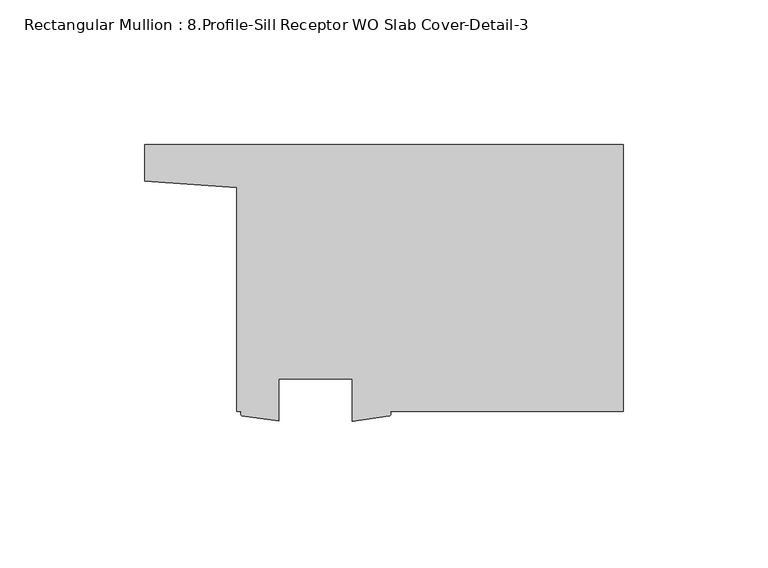
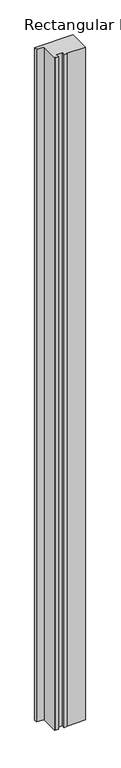
"""IFC4 building model written with IfcOpenShell, lengths in millimetres: member geometry, Rectangular Mullion : 8.Profile-Sill Receptor WO Slab Cover-Detail-3."""

from ifc_helpers import new_model, si_unit, point, frame, frame_2d, origin, place, context, project, spatial, polyline, circle_curve, trimmed, segment, composite_curve, outline, extrude, source, transform, mapped, element, save


def rectangular_mullion_8_profile_sill_receptor_wo_slab_cover_50dafa84(model_context):
    return source(origin(), model_context, "Body", "SweptSolid", [
        extrude(outline(composite_curve([segment(polyline([(0.0, -92.075127), (-80.6733597, -92.075127)]), True, "CONTINUOUS"), segment(trimmed(circle_curve(frame_2d((-81.2259708, -92.9068292)), 0.9985528), [point((-80.6733597, -92.075127))], [point((-80.6733597, -93.7385314))], False, "CARTESIAN"), True, "CONTINUOUS"), segment(polyline([(-80.6733597, -93.7385314), (-93.5154219, -95.6046768), (-93.5154219, -80.962627), (-118.8464125, -80.962627), (-118.8464125, -95.471127), (-131.6177, -93.6610233)]), True, "CONTINUOUS"), segment(trimmed(circle_curve(frame_2d((-131.1443235, -92.8680751)), 0.9234999), [point((-131.6177, -93.6610233))], [point((-131.6177, -92.075127))], False, "CARTESIAN"), True, "CONTINUOUS"), segment(polyline([(-131.6177, -92.075127), (-133.3499375, -92.075127), (-133.3499375, -14.7816271), (-165.1, -12.5822928), (-165.1, 0.0), (0.0, 0.0), (0.0, -92.075127)]), True, "CONTINUOUS")], self_intersect=False)), frame((0.0, 0.0, -3048.0), z_axis=(0.0, 0.0, 1.0), x_axis=(1.0, 0.0, 0.0)), (0.0, 0.0, 1.0), 3048.0),
    ])


if __name__ == "__main__":
    model = new_model("IFC4")
    model_context = context("Model", 3, world=origin())
    ifc_project = project(units=[si_unit("LENGTHUNIT", "METRE", prefix="MILLI")], contexts=[model_context])
    site = spatial("IfcSite", under=ifc_project)
    building = spatial("IfcBuilding", under=site)
    placement = place(None, origin())
    rectangular_mullion_8_profile_sill_receptor_wo_slab_cover_shape = rectangular_mullion_8_profile_sill_receptor_wo_slab_cover_50dafa84(model_context)
    element("IfcMember", 1, ObjectType="Rectangular Mullion : 8.Profile-Sill Receptor WO Slab Cover-Detail-3", at=placement, inside=building, context=model_context, shape_type="MappedRepresentation", body=[
        mapped(rectangular_mullion_8_profile_sill_receptor_wo_slab_cover_shape, transform((0.0, 0.0, 0.0), x_axis=(1.0, 0.0, 0.0), y_axis=(0.0, 1.0, 0.0), z_axis=(0.0, 0.0, 1.0))),
    ])
    save(model, "model.ifc")
